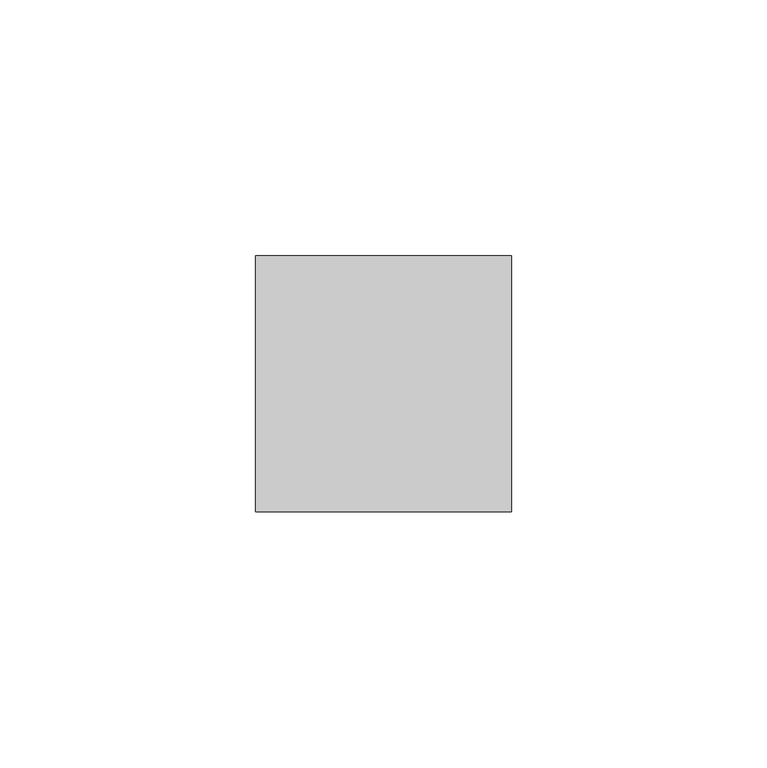
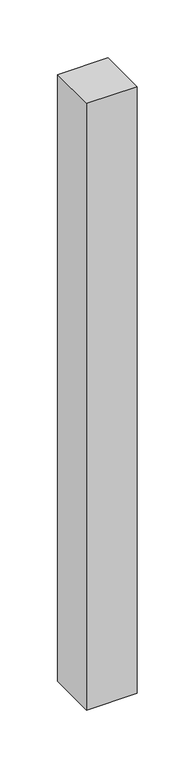
"""IFC4 building model written with IfcOpenShell, lengths in millimetres: member geometry."""

from ifc_helpers import new_model, si_unit, frame, origin, place, context, project, spatial, polyline, outline, extrude, source, transform, mapped, element, save


def member_f6909f42(model_context):
    return source(origin(), model_context, "Body", "SweptSolid", [
        extrude(outline(polyline([(25.0, 25.0), (25.0, -25.0), (-25.0, -25.0), (-25.0, 25.0), (25.0, 25.0)])), frame((0.0, 0.0, -639.0), z_axis=(0.0, 0.0, 1.0), x_axis=(1.0, 0.0, 0.0)), (0.0, 0.0, 1.0), 639.0),
    ])


if __name__ == "__main__":
    model = new_model("IFC4")
    model_context = context("Model", 3, world=origin())
    ifc_project = project(units=[si_unit("LENGTHUNIT", "METRE", prefix="MILLI")], contexts=[model_context])
    site = spatial("IfcSite", under=ifc_project)
    building = spatial("IfcBuilding", under=site)
    placement = place(None, origin())
    member_shape = member_f6909f42(model_context)
    element("IfcMember", 1, at=placement, inside=building, context=model_context, shape_type="MappedRepresentation", body=[
        mapped(member_shape, transform((0.0, 0.0, 0.0), x_axis=(1.0, 0.0, 0.0), y_axis=(0.0, 1.0, 0.0), z_axis=(0.0, 0.0, 1.0))),
    ])
    save(model, "model.ifc")
